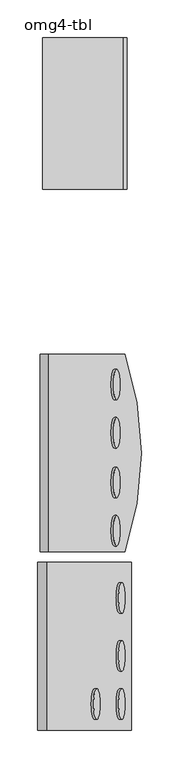
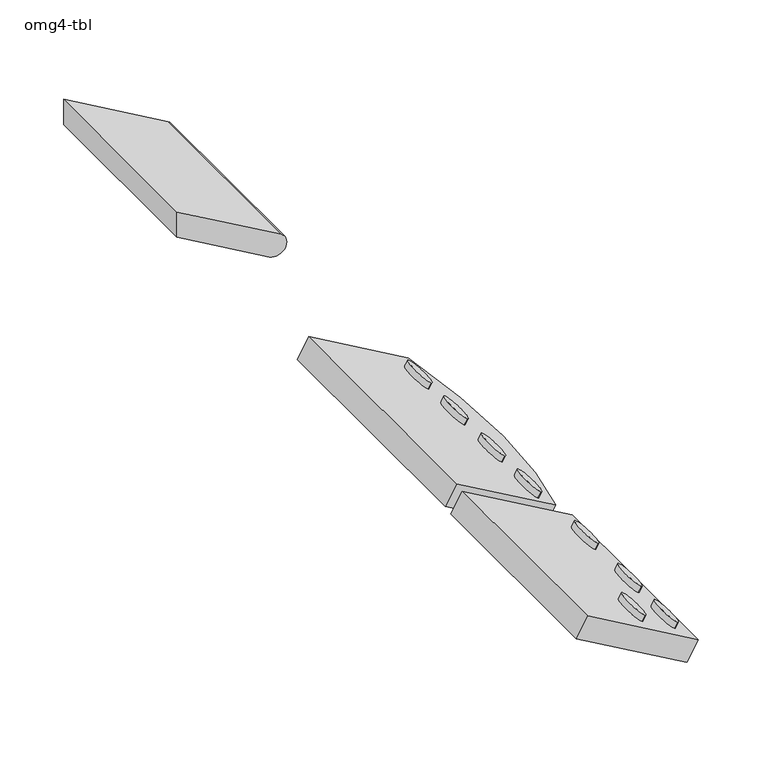
"""IFC4 building model written with IfcOpenShell, lengths in millimetres: proxy geometry, omg4-tbl."""

import ifcopenshell
import ifcopenshell.guid

model = None  # the IFC model being written
_history = None  # IfcOwnerHistory: only IFC2X3 demands one
_inside = {}  # id of a spatial element -> (the spatial element, [elements in it])
_under = {}  # id of a project, library or spatial element -> (it, [spatial elements below it])
_declared = {}  # id of a project -> (the project, [libraries it declares])
_typed = {}  # id of a type object -> (the type object, [elements of that type])
_made_of = {}  # id of a material, layer set ... -> (it, [elements and type objects made of it])


def new_model(schema):
    """Start an empty IFC model of exactly this schema.

    Asked for "IFC4X3", IfcOpenShell would pick the latest addendum, in which some entities
    have other attributes; the version numbers below select the first issue.
    IFC2X3 requires an IfcOwnerHistory on every rooted entity: one is made here for all.
    """
    global model, _history
    if schema == "IFC4X3":
        model = ifcopenshell.file(schema_version=(4, 3, 0, 0))
    else:
        model = ifcopenshell.file(schema=schema)
    _inside.clear()
    _under.clear()
    _declared.clear()
    _typed.clear()
    _made_of.clear()
    _history = None
    if model.schema == "IFC2X3":
        org = make("IfcOrganization", Name="unknown")
        user = make(
            "IfcPersonAndOrganization",
            ThePerson=make("IfcPerson", FamilyName="unknown"),
            TheOrganization=org,
        )
        app = make(
            "IfcApplication",
            ApplicationDeveloper=org,
            Version="unknown",
            ApplicationFullName="unknown",
            ApplicationIdentifier="unknown",
        )
        _history = make(
            "IfcOwnerHistory",
            OwningUser=user,
            OwningApplication=app,
            ChangeAction="ADDED",
            CreationDate=0,
        )
    return model


def make(cls, **values):
    """One entity of the class cls with the attributes given. An attribute that is None is left unset."""
    return model.create_entity(
        cls, **{name: value for name, value in values.items() if value is not None}
    )


def rooted(cls, **values):
    """An entity with a GlobalId (a new one), such as an element, a storey or a relation."""
    return make(cls, GlobalId=ifcopenshell.guid.new(), OwnerHistory=_history, **values)


def si_unit(unit_type, name, prefix=None):
    """IfcSIUnit, for example si_unit("LENGTHUNIT", "METRE", prefix="MILLI")."""
    return make("IfcSIUnit", UnitType=unit_type, Prefix=prefix, Name=name)


def assignment(units):
    """IfcUnitAssignment: the units of a project."""
    return None if units is None else make("IfcUnitAssignment", Units=units)


def point(xyz):
    """IfcCartesianPoint."""
    return None if xyz is None else make("IfcCartesianPoint", Coordinates=xyz)


def direction(xyz):
    """IfcDirection."""
    return None if xyz is None else make("IfcDirection", DirectionRatios=xyz)


def frame(location, z_axis=None, x_axis=None):
    """IfcAxis2Placement3D, a coordinate frame: its origin and axes. An axis left out is left unset."""
    return make(
        "IfcAxis2Placement3D",
        Location=point(location),
        Axis=direction(z_axis),
        RefDirection=direction(x_axis),
    )


def frame_2d(location, x_axis=None):
    """IfcAxis2Placement2D, a coordinate frame in the plane: its origin and x axis."""
    return make(
        "IfcAxis2Placement2D", Location=point(location), RefDirection=direction(x_axis)
    )


def origin():
    """The frame at (0, 0, 0) with its axes left unset."""
    return frame((0.0, 0.0, 0.0))


def place(relative_to, where):
    """IfcLocalPlacement: puts the frame where relative to a parent placement (None: the world)."""
    return make(
        "IfcLocalPlacement", PlacementRelTo=relative_to, RelativePlacement=where
    )


def context(
    kind, dimensions, precision=None, world=None, true_north=None, identifier=None
):
    """IfcGeometricRepresentationContext, for example the 3D "Model" context."""
    return make(
        "IfcGeometricRepresentationContext",
        ContextIdentifier=identifier,
        ContextType=kind,
        CoordinateSpaceDimension=dimensions,
        Precision=precision,
        WorldCoordinateSystem=world,
        TrueNorth=true_north,
    )


def project(units=None, contexts=None):
    """IfcProject with its units and contexts."""
    return rooted(
        "IfcProject",
        Name="project",
        RepresentationContexts=contexts,
        UnitsInContext=assignment(units),
    )


def spatial(cls, under=None, at=None, **own):
    """A site, building, storey or space (cls), placed at a placement, below another one or the project."""
    s = rooted(cls, ObjectPlacement=at, **own)
    if under is not None:
        _under.setdefault(under.id(), (under, []))[1].append(s)
    return s


def polyline(points):
    """IfcPolyline through the points."""
    return make("IfcPolyline", Points=[point(p) for p in points])


def circle_curve(where, radius):
    """IfcCircle in the frame where."""
    return make("IfcCircle", Position=where, Radius=radius)


def ellipse_curve(where, semi_axis1, semi_axis2):
    """IfcEllipse in the frame where."""
    return make(
        "IfcEllipse", Position=where, SemiAxis1=semi_axis1, SemiAxis2=semi_axis2
    )


def trimmed(basis, trim1, trim2, sense, master):
    """IfcTrimmedCurve: the piece of a basis curve between two trims."""
    return make(
        "IfcTrimmedCurve",
        BasisCurve=basis,
        Trim1=trim1,
        Trim2=trim2,
        SenseAgreement=sense,
        MasterRepresentation=master,
    )


def segment(curve, same_sense, transition):
    """IfcCompositeCurveSegment."""
    return make(
        "IfcCompositeCurveSegment",
        Transition=transition,
        SameSense=same_sense,
        ParentCurve=curve,
    )


def composite_curve(segments, self_intersect=None):
    """IfcCompositeCurve: segments joined end to end."""
    return make("IfcCompositeCurve", Segments=segments, SelfIntersect=self_intersect)


def outline(outer, holes=None, kind="AREA"):
    """IfcArbitraryClosedProfileDef: a profile drawn as a closed curve; with holes, ...WithVoids."""
    if holes is None:
        return make("IfcArbitraryClosedProfileDef", ProfileType=kind, OuterCurve=outer)
    return make(
        "IfcArbitraryProfileDefWithVoids",
        ProfileType=kind,
        OuterCurve=outer,
        InnerCurves=holes,
    )


def extrude(swept, where, along, depth):
    """IfcExtrudedAreaSolid: the profile swept, set in the frame where, extruded along a direction by depth."""
    return make(
        "IfcExtrudedAreaSolid",
        SweptArea=swept,
        Position=where,
        ExtrudedDirection=direction(along),
        Depth=depth,
    )


def shape(context_of_items, identifier, shape_type, items):
    """IfcShapeRepresentation: the items that make up one representation, for example the "Body"."""
    return make(
        "IfcShapeRepresentation",
        ContextOfItems=context_of_items,
        RepresentationIdentifier=identifier,
        RepresentationType=shape_type,
        Items=items,
    )


def source(mapping_origin, context_of_items, identifier, shape_type, items):
    """IfcRepresentationMap: a shape defined once, which mapped items show again and again."""
    return make(
        "IfcRepresentationMap",
        MappingOrigin=mapping_origin,
        MappedRepresentation=shape(context_of_items, identifier, shape_type, items),
    )


def transform(
    local_origin,
    x_axis=None,
    y_axis=None,
    z_axis=None,
    scale=None,
    scale2=None,
    scale3=None,
    uniform=True,
):
    """IfcCartesianTransformationOperator3D, or its non-uniform kind. x_axis, y_axis, z_axis: its Axis1, 2, 3."""
    if uniform:
        return make(
            "IfcCartesianTransformationOperator3D",
            Axis1=direction(x_axis),
            Axis2=direction(y_axis),
            LocalOrigin=point(local_origin),
            Scale=scale,
            Axis3=direction(z_axis),
        )
    return make(
        "IfcCartesianTransformationOperator3DnonUniform",
        Axis1=direction(x_axis),
        Axis2=direction(y_axis),
        LocalOrigin=point(local_origin),
        Scale=scale,
        Axis3=direction(z_axis),
        Scale2=scale2,
        Scale3=scale3,
    )


def mapped(mapping_source, mapping_target):
    """IfcMappedItem: shows the shape of a source again, moved by a transform."""
    return make(
        "IfcMappedItem", MappingSource=mapping_source, MappingTarget=mapping_target
    )


def made_of(thing, what):
    """Note that an element or type object is made of a material, layer set ...; save() writes the relation."""
    if what is not None:
        _made_of.setdefault(what.id(), (what, []))[1].append(thing)
    return thing


def element(
    cls,
    number,
    at=None,
    inside=None,
    cuts=None,
    type_object=None,
    material=None,
    context=None,
    identifier="Body",
    shape_type=None,
    held_by="IfcProductDefinitionShape",
    body=None,
    shapes=None,
    **own,
):
    """One element of the class cls, such as IfcWall. Its Tag is "e" and its number.

    at: its placement. inside: the storey or other place that contains it. cuts: it is an
    opening in that element (IfcRelVoidsElement). A single representation is given by context,
    identifier, shape_type and body (its items); several are given by shapes. held_by: the class
    of the entity that holds the representations. save() writes the other relations.
    """
    e = rooted(cls, Tag="e%d" % number, ObjectPlacement=at, **own)
    if body is not None:
        shapes = [shape(context, identifier, shape_type, body)]
    if shapes is not None:
        e.Representation = make(held_by, Representations=shapes)
    if inside is not None:
        _inside.setdefault(inside.id(), (inside, []))[1].append(e)
    if cuts is not None:
        rooted(
            "IfcRelVoidsElement", RelatingBuildingElement=cuts, RelatedOpeningElement=e
        )
    if type_object is not None:
        _typed.setdefault(type_object.id(), (type_object, []))[1].append(e)
    return made_of(e, material)


def aggregate(whole, parts):
    """IfcRelAggregates: a whole, such as a stair, and the parts it consists of."""
    return rooted("IfcRelAggregates", RelatingObject=whole, RelatedObjects=parts)


def save(model, path):
    """Write the relations noted so far, then the file.

    IfcRelAggregates (storeys below a building ...), IfcRelContainedInSpatialStructure (elements
    in a storey), IfcRelDefinesByType, IfcRelAssociatesMaterial and IfcRelDeclares: one each for
    every whole, place, type object, material and project.
    """
    for whole, parts in _under.values():
        aggregate(whole, parts)
    for where, things in _inside.values():
        rooted(
            "IfcRelContainedInSpatialStructure",
            RelatedElements=things,
            RelatingStructure=where,
        )
    for kind, things in _typed.values():
        rooted("IfcRelDefinesByType", RelatedObjects=things, RelatingType=kind)
    for what, things in _made_of.values():
        rooted("IfcRelAssociatesMaterial", RelatedObjects=things, RelatingMaterial=what)
    for by, libraries in _declared.values():
        rooted("IfcRelDeclares", RelatingContext=by, RelatedDefinitions=libraries)
    model.write(path)


def plane_surface(at):
    """IfcPlane: the flat surface through the origin of the frame at, square to its z axis."""
    return make("IfcPlane", Position=at)


def extruded_surface(curve, direction_of_extrusion, depth):
    """IfcSurfaceOfLinearExtrusion: the curve pushed along a direction by depth."""
    return make(
        "IfcSurfaceOfLinearExtrusion",
        SweptCurve=make("IfcArbitraryOpenProfileDef", ProfileType="CURVE", Curve=curve),
        ExtrudedDirection=direction(direction_of_extrusion),
        Depth=depth,
    )


def advanced_brep(points, edges, surfaces, faces):
    """IfcAdvancedBrep: a solid bounded by faces that lie on surfaces and meet in shared edges.

    An edge is (start, end): straight between two places in points (the first is 0);
    or (start, end, curve); or (start, end, curve, False) where it runs against its curve.
    A face is (place in surfaces, loops), or (place, loops, False) where it looks against
    its surface's normal. A loop lists edges by number (the first is 1), with a minus sign
    where the edge is run from its end to its start. The first loop is the outer one.
    """
    corners = [point(p) for p in points]
    vertices = [make("IfcVertexPoint", VertexGeometry=c) for c in corners]
    made = []
    for start, end, *more in edges:
        made.append(
            make(
                "IfcEdgeCurve",
                EdgeStart=vertices[start],
                EdgeEnd=vertices[end],
                EdgeGeometry=more[0] if more else make("IfcPolyline", Points=[corners[start], corners[end]]),
                SameSense=more[1] if len(more) > 1 else True,
            )
        )
    hull = []
    for where, loops, *sense in faces:
        bounds = []
        for j, loop in enumerate(loops):
            ring = [make("IfcOrientedEdge", EdgeElement=made[abs(k) - 1], Orientation=k > 0) for k in loop]
            bounds.append(
                make(
                    "IfcFaceOuterBound" if j == 0 else "IfcFaceBound",
                    Bound=make("IfcEdgeLoop", EdgeList=ring),
                    Orientation=True,
                )
            )
        hull.append(make("IfcAdvancedFace", Bounds=bounds, FaceSurface=surfaces[where], SameSense=sense[0] if sense else True))
    return make("IfcAdvancedBrep", Outer=make("IfcClosedShell", CfsFaces=hull))


def omg4_tbl_a6c52747(model_context):
    return source(origin(), model_context, "Body", "SolidModel", [
        advanced_brep(
        [(420.3072295, 1527.35453, 886.2318701), (420.3072295, 1487.0109304, 886.2318701), (423.4822295, 1527.35453, 891.7311314), (423.4822295, 1487.0109304, 891.7311314)],
        [
            (0, 1, ellipse_curve(frame((420.3072295, 1507.1827302, 886.2318701), z_axis=(-0.4999999999999973, 0.0, -0.8660254037844403), x_axis=(0.0, -1.0, 0.0)), 20.1717998, 4.9609375)),
            (1, 0, ellipse_curve(frame((420.3072295, 1507.1827302, 886.2318701), z_axis=(-0.4999999999999973, 0.0, -0.8660254037844403), x_axis=(0.0, -1.0, 0.0)), 20.1717998, 4.9609375)),
            (2, 3, ellipse_curve(frame((423.4822295, 1507.1827302, 891.7311314), z_axis=(0.4999999999999973, 0.0, 0.8660254037844403), x_axis=(0.0, -1.0, 0.0)), 20.1717998, 4.9609375)),
            (3, 2, ellipse_curve(frame((423.4822295, 1507.1827302, 891.7311314), z_axis=(0.4999999999999973, 0.0, 0.8660254037844403), x_axis=(0.0, -1.0, 0.0)), 20.1717998, 4.9609375)),
            (0, 2),
            (3, 1),
        ],
        [
            plane_surface(frame((420.3072295, 1487.0109304, 886.2318701), z_axis=(-0.4999999999999998, 0.0, -0.8660254037844388), x_axis=(-0.8660254037844388, 0.0, 0.4999999999999998))),
            plane_surface(frame((423.4822295, 1487.0109304, 891.7311314), z_axis=(0.4999999999999998, 0.0, 0.8660254037844388), x_axis=(0.8660254037844388, 0.0, -0.4999999999999998))),
            extruded_surface(trimmed(ellipse_curve(frame((426.6572295, 1507.1827302, 897.2303927), z_axis=(-0.4999999999999973, 0.0, -0.8660254037844403), x_axis=(0.0, -1.0, 0.0)), 20.1717998, 4.9609375), [point((426.6572295, 1527.35453, 897.2303927))], [point((426.6572295, 1487.0109304, 897.2303927))], True, "CARTESIAN"), (-3.1750000000000114, 0.0, -5.499261300000057), 6.349999987848692),
            extruded_surface(trimmed(ellipse_curve(frame((426.6572295, 1507.1827302, 897.2303927), z_axis=(-0.4999999999999973, 0.0, -0.8660254037844403), x_axis=(0.0, -1.0, 0.0)), 20.1717998, 4.9609375), [point((426.6572295, 1487.0109304, 897.2303927))], [point((426.6572295, 1527.35453, 897.2303927))], True, "CARTESIAN"), (-3.1750000000000114, 0.0, -5.499261300000057), 6.349999987848692),
        ],
        [
            (0, [[1, 2]]),
            (1, [[3, 4]]),
            (2, [[-1, 5, -4, 6]]),
            (3, [[-2, -6, -3, -5]]),
        ],
    ),
        advanced_brep(
        [(453.3027974, 1527.35453, 867.1818701), (453.3027974, 1487.0109304, 867.1818701), (456.4777974, 1527.35453, 872.6811314), (456.4777974, 1487.0109304, 872.6811314)],
        [
            (0, 1, ellipse_curve(frame((453.3027974, 1507.1827302, 867.1818701), z_axis=(-0.4999999999999973, 0.0, -0.8660254037844403), x_axis=(0.0, -1.0, 0.0)), 20.1717998, 4.9609375)),
            (1, 0, ellipse_curve(frame((453.3027974, 1507.1827302, 867.1818701), z_axis=(-0.4999999999999973, 0.0, -0.8660254037844403), x_axis=(0.0, -1.0, 0.0)), 20.1717998, 4.9609375)),
            (2, 3, ellipse_curve(frame((456.4777974, 1507.1827302, 872.6811314), z_axis=(0.4999999999999973, 0.0, 0.8660254037844403), x_axis=(0.0, -1.0, 0.0)), 20.1717998, 4.9609375)),
            (3, 2, ellipse_curve(frame((456.4777974, 1507.1827302, 872.6811314), z_axis=(0.4999999999999973, 0.0, 0.8660254037844403), x_axis=(0.0, -1.0, 0.0)), 20.1717998, 4.9609375)),
            (0, 2),
            (3, 1),
        ],
        [
            plane_surface(frame((453.3027974, 1487.0109304, 867.1818701), z_axis=(-0.4999999999999998, 0.0, -0.8660254037844388), x_axis=(-0.8660254037844388, 0.0, 0.4999999999999998))),
            plane_surface(frame((456.4777974, 1487.0109304, 872.6811314), z_axis=(0.4999999999999998, 0.0, 0.8660254037844388), x_axis=(0.8660254037844388, 0.0, -0.4999999999999998))),
            extruded_surface(trimmed(ellipse_curve(frame((459.6527974, 1507.1827302, 878.1803927), z_axis=(-0.4999999999999973, 0.0, -0.8660254037844403), x_axis=(0.0, -1.0, 0.0)), 20.1717998, 4.9609375), [point((459.6527974, 1527.35453, 878.1803927))], [point((459.6527974, 1487.0109304, 878.1803927))], True, "CARTESIAN"), (-3.1750000000000114, 0.0, -5.499261299999944), 6.3499999878485935),
            extruded_surface(trimmed(ellipse_curve(frame((459.6527974, 1507.1827302, 878.1803927), z_axis=(-0.4999999999999973, 0.0, -0.8660254037844403), x_axis=(0.0, -1.0, 0.0)), 20.1717998, 4.9609375), [point((459.6527974, 1487.0109304, 878.1803927))], [point((459.6527974, 1527.35453, 878.1803927))], True, "CARTESIAN"), (-3.1750000000000114, 0.0, -5.499261299999944), 6.3499999878485935),
        ],
        [
            (0, [[1, 2]]),
            (1, [[3, 4]]),
            (2, [[-1, 5, -4, 6]]),
            (3, [[-2, -6, -3, -5]]),
        ],
    ),
        advanced_brep(
        [(453.3027974, 1590.85453, 867.1818701), (453.3027974, 1550.5109304, 867.1818701), (456.4777974, 1590.85453, 872.6811314), (456.4777974, 1550.5109304, 872.6811314)],
        [
            (0, 1, ellipse_curve(frame((453.3027974, 1570.6827302, 867.1818701), z_axis=(-0.4999999999999973, 0.0, -0.8660254037844403), x_axis=(0.0, -1.0, 0.0)), 20.1717998, 4.9609375)),
            (1, 0, ellipse_curve(frame((453.3027974, 1570.6827302, 867.1818701), z_axis=(-0.4999999999999973, 0.0, -0.8660254037844403), x_axis=(0.0, -1.0, 0.0)), 20.1717998, 4.9609375)),
            (2, 3, ellipse_curve(frame((456.4777974, 1570.6827302, 872.6811314), z_axis=(0.4999999999999973, 0.0, 0.8660254037844403), x_axis=(0.0, -1.0, 0.0)), 20.1717998, 4.9609375)),
            (3, 2, ellipse_curve(frame((456.4777974, 1570.6827302, 872.6811314), z_axis=(0.4999999999999973, 0.0, 0.8660254037844403), x_axis=(0.0, -1.0, 0.0)), 20.1717998, 4.9609375)),
            (0, 2),
            (3, 1),
        ],
        [
            plane_surface(frame((453.3027974, 1550.5109304, 867.1818701), z_axis=(-0.4999999999999998, 0.0, -0.8660254037844388), x_axis=(-0.8660254037844388, 0.0, 0.4999999999999998))),
            plane_surface(frame((456.4777974, 1550.5109304, 872.6811314), z_axis=(0.4999999999999998, 0.0, 0.8660254037844388), x_axis=(0.8660254037844388, 0.0, -0.4999999999999998))),
            extruded_surface(trimmed(ellipse_curve(frame((459.6527974, 1570.6827302, 878.1803927), z_axis=(-0.4999999999999973, 0.0, -0.8660254037844403), x_axis=(0.0, -1.0, 0.0)), 20.1717998, 4.9609375), [point((459.6527974, 1590.85453, 878.1803927))], [point((459.6527974, 1550.5109304, 878.1803927))], True, "CARTESIAN"), (-3.1750000000000114, 0.0, -5.499261299999944), 6.3499999878485935),
            extruded_surface(trimmed(ellipse_curve(frame((459.6527974, 1570.6827302, 878.1803927), z_axis=(-0.4999999999999973, 0.0, -0.8660254037844403), x_axis=(0.0, -1.0, 0.0)), 20.1717998, 4.9609375), [point((459.6527974, 1550.5109304, 878.1803927))], [point((459.6527974, 1590.85453, 878.1803927))], True, "CARTESIAN"), (-3.1750000000000114, 0.0, -5.499261299999944), 6.3499999878485935),
        ],
        [
            (0, [[1, 2]]),
            (1, [[3, 4]]),
            (2, [[-1, 5, -4, 6]]),
            (3, [[-2, -6, -3, -5]]),
        ],
    ),
        advanced_brep(
        [(453.3027974, 1667.05453, 867.1818701), (453.3027974, 1626.7109304, 867.1818701), (456.4777974, 1667.05453, 872.6811314), (456.4777974, 1626.7109304, 872.6811314)],
        [
            (0, 1, ellipse_curve(frame((453.3027974, 1646.8827302, 867.1818701), z_axis=(-0.4999999999999973, 0.0, -0.8660254037844403), x_axis=(0.0, -1.0, 0.0)), 20.1717998, 4.9609375)),
            (1, 0, ellipse_curve(frame((453.3027974, 1646.8827302, 867.1818701), z_axis=(-0.4999999999999973, 0.0, -0.8660254037844403), x_axis=(0.0, -1.0, 0.0)), 20.1717998, 4.9609375)),
            (2, 3, ellipse_curve(frame((456.4777974, 1646.8827302, 872.6811314), z_axis=(0.4999999999999973, 0.0, 0.8660254037844403), x_axis=(0.0, -1.0, 0.0)), 20.1717998, 4.9609375)),
            (3, 2, ellipse_curve(frame((456.4777974, 1646.8827302, 872.6811314), z_axis=(0.4999999999999973, 0.0, 0.8660254037844403), x_axis=(0.0, -1.0, 0.0)), 20.1717998, 4.9609375)),
            (0, 2),
            (3, 1),
        ],
        [
            plane_surface(frame((453.3027974, 1626.7109304, 867.1818701), z_axis=(-0.4999999999999998, 0.0, -0.8660254037844388), x_axis=(-0.8660254037844388, 0.0, 0.4999999999999998))),
            plane_surface(frame((456.4777974, 1626.7109304, 872.6811314), z_axis=(0.4999999999999998, 0.0, 0.8660254037844388), x_axis=(0.8660254037844388, 0.0, -0.4999999999999998))),
            extruded_surface(trimmed(ellipse_curve(frame((459.6527974, 1646.8827302, 878.1803927), z_axis=(-0.4999999999999973, 0.0, -0.8660254037844403), x_axis=(0.0, -1.0, 0.0)), 20.1717998, 4.9609375), [point((459.6527974, 1667.05453, 878.1803927))], [point((459.6527974, 1626.7109304, 878.1803927))], True, "CARTESIAN"), (-3.1750000000000114, 0.0, -5.499261299999944), 6.3499999878485935),
            extruded_surface(trimmed(ellipse_curve(frame((459.6527974, 1646.8827302, 878.1803927), z_axis=(-0.4999999999999973, 0.0, -0.8660254037844403), x_axis=(0.0, -1.0, 0.0)), 20.1717998, 4.9609375), [point((459.6527974, 1626.7109304, 878.1803927))], [point((459.6527974, 1667.05453, 878.1803927))], True, "CARTESIAN"), (-3.1750000000000114, 0.0, -5.499261299999944), 6.3499999878485935),
        ],
        [
            (0, [[1, 2]]),
            (1, [[3, 4]]),
            (2, [[-1, 5, -4, 6]]),
            (3, [[-2, -6, -3, -5]]),
        ],
    ),
        advanced_brep(
        [(446.5927066, 1819.1162387, 871.0559428), (446.5927066, 1778.7726391, 871.0559428), (449.7677066, 1819.1162387, 876.5552041), (449.7677066, 1778.7726391, 876.5552041)],
        [
            (0, 1, ellipse_curve(frame((446.5927066, 1798.9444389, 871.0559428), z_axis=(-0.4999999999999973, 0.0, -0.8660254037844403), x_axis=(0.0, -1.0, 0.0)), 20.1717998, 4.9609375)),
            (1, 0, ellipse_curve(frame((446.5927066, 1798.9444389, 871.0559428), z_axis=(-0.4999999999999973, 0.0, -0.8660254037844403), x_axis=(0.0, -1.0, 0.0)), 20.1717998, 4.9609375)),
            (2, 3, ellipse_curve(frame((449.7677066, 1798.9444389, 876.5552041), z_axis=(0.4999999999999973, 0.0, 0.8660254037844403), x_axis=(0.0, -1.0, 0.0)), 20.1717998, 4.9609375)),
            (3, 2, ellipse_curve(frame((449.7677066, 1798.9444389, 876.5552041), z_axis=(0.4999999999999973, 0.0, 0.8660254037844403), x_axis=(0.0, -1.0, 0.0)), 20.1717998, 4.9609375)),
            (0, 2),
            (3, 1),
        ],
        [
            plane_surface(frame((446.5927066, 1778.7726391, 871.0559428), z_axis=(-0.4999999999999998, 0.0, -0.8660254037844388), x_axis=(-0.8660254037844388, 0.0, 0.4999999999999998))),
            plane_surface(frame((449.7677066, 1778.7726391, 876.5552041), z_axis=(0.4999999999999998, 0.0, 0.8660254037844388), x_axis=(0.8660254037844388, 0.0, -0.4999999999999998))),
            extruded_surface(trimmed(ellipse_curve(frame((452.9427066, 1798.9444389, 882.0544654), z_axis=(-0.4999999999999973, 0.0, -0.8660254037844403), x_axis=(0.0, -1.0, 0.0)), 20.1717998, 4.9609375), [point((452.9427066, 1819.1162387, 882.0544654))], [point((452.9427066, 1778.7726391, 882.0544654))], True, "CARTESIAN"), (-3.1750000000000114, 0.0, -5.499261300000057), 6.349999987848692),
            extruded_surface(trimmed(ellipse_curve(frame((452.9427066, 1798.9444389, 882.0544654), z_axis=(-0.4999999999999973, 0.0, -0.8660254037844403), x_axis=(0.0, -1.0, 0.0)), 20.1717998, 4.9609375), [point((452.9427066, 1778.7726391, 882.0544654))], [point((452.9427066, 1819.1162387, 882.0544654))], True, "CARTESIAN"), (-3.1750000000000114, 0.0, -5.499261300000057), 6.349999987848692),
        ],
        [
            (0, [[1, 2]]),
            (1, [[3, 4]]),
            (2, [[-1, 5, -4, 6]]),
            (3, [[-2, -6, -3, -5]]),
        ],
    ),
        advanced_brep(
        [(446.5927066, 1755.6162387, 871.0559428), (446.5927066, 1715.2726391, 871.0559428), (449.7677066, 1755.6162387, 876.5552041), (449.7677066, 1715.2726391, 876.5552041)],
        [
            (0, 1, ellipse_curve(frame((446.5927066, 1735.4444389, 871.0559428), z_axis=(-0.4999999999999973, 0.0, -0.8660254037844403), x_axis=(0.0, -1.0, 0.0)), 20.1717998, 4.9609375)),
            (1, 0, ellipse_curve(frame((446.5927066, 1735.4444389, 871.0559428), z_axis=(-0.4999999999999973, 0.0, -0.8660254037844403), x_axis=(0.0, -1.0, 0.0)), 20.1717998, 4.9609375)),
            (2, 3, ellipse_curve(frame((449.7677066, 1735.4444389, 876.5552041), z_axis=(0.4999999999999973, 0.0, 0.8660254037844403), x_axis=(0.0, -1.0, 0.0)), 20.1717998, 4.9609375)),
            (3, 2, ellipse_curve(frame((449.7677066, 1735.4444389, 876.5552041), z_axis=(0.4999999999999973, 0.0, 0.8660254037844403), x_axis=(0.0, -1.0, 0.0)), 20.1717998, 4.9609375)),
            (0, 2),
            (3, 1),
        ],
        [
            plane_surface(frame((446.5927066, 1715.2726391, 871.0559428), z_axis=(-0.4999999999999998, 0.0, -0.8660254037844388), x_axis=(-0.8660254037844388, 0.0, 0.4999999999999998))),
            plane_surface(frame((449.7677066, 1715.2726391, 876.5552041), z_axis=(0.4999999999999998, 0.0, 0.8660254037844388), x_axis=(0.8660254037844388, 0.0, -0.4999999999999998))),
            extruded_surface(trimmed(ellipse_curve(frame((452.9427066, 1735.4444389, 882.0544654), z_axis=(-0.4999999999999973, 0.0, -0.8660254037844403), x_axis=(0.0, -1.0, 0.0)), 20.1717998, 4.9609375), [point((452.9427066, 1755.6162387, 882.0544654))], [point((452.9427066, 1715.2726391, 882.0544654))], True, "CARTESIAN"), (-3.1750000000000114, 0.0, -5.499261300000057), 6.349999987848692),
            extruded_surface(trimmed(ellipse_curve(frame((452.9427066, 1735.4444389, 882.0544654), z_axis=(-0.4999999999999973, 0.0, -0.8660254037844403), x_axis=(0.0, -1.0, 0.0)), 20.1717998, 4.9609375), [point((452.9427066, 1715.2726391, 882.0544654))], [point((452.9427066, 1755.6162387, 882.0544654))], True, "CARTESIAN"), (-3.1750000000000114, 0.0, -5.499261300000057), 6.349999987848692),
        ],
        [
            (0, [[1, 2]]),
            (1, [[3, 4]]),
            (2, [[-1, 5, -4, 6]]),
            (3, [[-2, -6, -3, -5]]),
        ],
    ),
        advanced_brep(
        [(446.5927066, 1844.3123829, 871.0559428), (446.5927066, 1884.6559825, 871.0559428), (449.7677066, 1844.3123829, 876.5552041), (449.7677066, 1884.6559825, 876.5552041)],
        [
            (0, 1, ellipse_curve(frame((446.5927066, 1864.4841827, 871.0559428), z_axis=(-0.4999999999999973, 0.0, -0.8660254037844403), x_axis=(0.0, 1.0, 0.0)), 20.1717998, 4.9609375)),
            (1, 0, ellipse_curve(frame((446.5927066, 1864.4841827, 871.0559428), z_axis=(-0.4999999999999973, 0.0, -0.8660254037844403), x_axis=(0.0, 1.0, 0.0)), 20.1717998, 4.9609375)),
            (2, 3, ellipse_curve(frame((449.7677066, 1864.4841827, 876.5552041), z_axis=(0.4999999999999973, 0.0, 0.8660254037844403), x_axis=(0.0, 1.0, 0.0)), 20.1717998, 4.9609375)),
            (3, 2, ellipse_curve(frame((449.7677066, 1864.4841827, 876.5552041), z_axis=(0.4999999999999973, 0.0, 0.8660254037844403), x_axis=(0.0, 1.0, 0.0)), 20.1717998, 4.9609375)),
            (1, 3),
            (2, 0),
        ],
        [
            plane_surface(frame((446.5927066, 1884.6559825, 871.0559428), z_axis=(-0.4999999999999998, 0.0, -0.8660254037844388), x_axis=(0.8660254037844388, 0.0, -0.4999999999999998))),
            plane_surface(frame((449.7677066, 1884.6559825, 876.5552041), z_axis=(0.4999999999999998, 0.0, 0.8660254037844388), x_axis=(-0.8660254037844388, 0.0, 0.4999999999999998))),
            extruded_surface(trimmed(ellipse_curve(frame((452.9427066, 1864.4841827, 882.0544654), z_axis=(-0.4999999999999973, 0.0, -0.8660254037844403), x_axis=(0.0, 1.0, 0.0)), 20.1717998, 4.9609375), [point((452.9427066, 1884.6559825, 882.0544654))], [point((452.9427066, 1844.3123829, 882.0544654))], True, "CARTESIAN"), (-3.1750000000000114, 0.0, -5.499261300000057), 6.349999987848692),
            extruded_surface(trimmed(ellipse_curve(frame((452.9427066, 1864.4841827, 882.0544654), z_axis=(-0.4999999999999973, 0.0, -0.8660254037844403), x_axis=(0.0, 1.0, 0.0)), 20.1717998, 4.9609375), [point((452.9427066, 1844.3123829, 882.0544654))], [point((452.9427066, 1884.6559825, 882.0544654))], True, "CARTESIAN"), (-3.1750000000000114, 0.0, -5.499261300000057), 6.349999987848692),
        ],
        [
            (0, [[1, 2]]),
            (1, [[3, 4]]),
            (2, [[-2, 5, -3, 6]]),
            (3, [[-1, -6, -4, -5]]),
        ],
    ),
        advanced_brep(
        [(446.5927066, 1907.8123829, 871.0559428), (446.5927066, 1948.1559825, 871.0559428), (449.7677066, 1907.8123829, 876.5552041), (449.7677066, 1948.1559825, 876.5552041)],
        [
            (0, 1, ellipse_curve(frame((446.5927066, 1927.9841827, 871.0559428), z_axis=(-0.4999999999999973, 0.0, -0.8660254037844403), x_axis=(0.0, 1.0, 0.0)), 20.1717998, 4.9609375)),
            (1, 0, ellipse_curve(frame((446.5927066, 1927.9841827, 871.0559428), z_axis=(-0.4999999999999973, 0.0, -0.8660254037844403), x_axis=(0.0, 1.0, 0.0)), 20.1717998, 4.9609375)),
            (2, 3, ellipse_curve(frame((449.7677066, 1927.9841827, 876.5552041), z_axis=(0.4999999999999973, 0.0, 0.8660254037844403), x_axis=(0.0, 1.0, 0.0)), 20.1717998, 4.9609375)),
            (3, 2, ellipse_curve(frame((449.7677066, 1927.9841827, 876.5552041), z_axis=(0.4999999999999973, 0.0, 0.8660254037844403), x_axis=(0.0, 1.0, 0.0)), 20.1717998, 4.9609375)),
            (1, 3),
            (2, 0),
        ],
        [
            plane_surface(frame((446.5927066, 1948.1559825, 871.0559428), z_axis=(-0.4999999999999998, 0.0, -0.8660254037844388), x_axis=(0.8660254037844388, 0.0, -0.4999999999999998))),
            plane_surface(frame((449.7677066, 1948.1559825, 876.5552041), z_axis=(0.4999999999999998, 0.0, 0.8660254037844388), x_axis=(-0.8660254037844388, 0.0, 0.4999999999999998))),
            extruded_surface(trimmed(ellipse_curve(frame((452.9427066, 1927.9841827, 882.0544654), z_axis=(-0.4999999999999973, 0.0, -0.8660254037844403), x_axis=(0.0, 1.0, 0.0)), 20.1717998, 4.9609375), [point((452.9427066, 1948.1559825, 882.0544654))], [point((452.9427066, 1907.8123829, 882.0544654))], True, "CARTESIAN"), (-3.1750000000000114, 0.0, -5.499261300000057), 6.349999987848692),
            extruded_surface(trimmed(ellipse_curve(frame((452.9427066, 1927.9841827, 882.0544654), z_axis=(-0.4999999999999973, 0.0, -0.8660254037844403), x_axis=(0.0, 1.0, 0.0)), 20.1717998, 4.9609375), [point((452.9427066, 1907.8123829, 882.0544654))], [point((452.9427066, 1948.1559825, 882.0544654))], True, "CARTESIAN"), (-3.1750000000000114, 0.0, -5.499261300000057), 6.349999987848692),
        ],
        [
            (0, [[1, 2]]),
            (1, [[3, 4]]),
            (2, [[-2, 5, -3, 6]]),
            (3, [[-1, -6, -4, -5]]),
        ],
    ),
        extrude(outline(composite_curve([segment(polyline([(864.6304096, 457.7220566), (925.5106181, 352.2744423), (898.6161553, 352.2744423), (844.4595625, 446.0764126)]), True, "CONTINUOUS"), segment(trimmed(circle_curve(frame_2d((854.5449861, 451.8992346)), 11.645644), [point((844.4595625, 446.0764126))], [point((864.6304096, 457.7220566))], False, "CARTESIAN"), True, "CONTINUOUS")], self_intersect=False)), frame((0.0, 2185.456181, 0.0), z_axis=(0.0, 1.0, 0.0), x_axis=(0.0, 0.0, 1.0)), (0.0, 0.0, 1.0), 199.0410011),
        extrude(outline(composite_curve([segment(polyline([(167.5752143, 0.0), (167.5752143, -260.0), (51.1622154, -260.0)]), True, "CONTINUOUS"), segment(trimmed(circle_curve(frame_2d((381.3350181, -130.366152)), 354.7097604), [point((51.1622154, -260.0))], [point((51.4506739, 0.0))], False, "CARTESIAN"), True, "CONTINUOUS"), segment(polyline([(51.4506739, 0.0), (167.5752143, 0.0)]), True, "CONTINUOUS")], self_intersect=False)), frame((493.4852203, 1707.8437116, 817.0880746), z_axis=(0.4999999999999841, 0.0, 0.8660254037844478), x_axis=(-0.8660254037844478, 0.0, 0.4999999999999841)), (0.0, 0.0, 1.0), 23.291288),
        extrude(outline(polyline([(0.0, -128.9784104), (0.0, 0.0), (220.674979, 0.0), (220.674979, -128.9784104), (0.0, -128.9784104)])), frame((457.3636929, 1693.6142898, 837.9428482), z_axis=(0.49999999999999967, 0.0, 0.8660254037844388), x_axis=(0.0, -1.0, 0.0)), (0.0, 0.0, 1.0), 23.291288),
    ])


if __name__ == "__main__":
    model = new_model("IFC4")
    model_context = context("Model", 3, world=origin())
    ifc_project = project(units=[si_unit("LENGTHUNIT", "METRE", prefix="MILLI")], contexts=[model_context])
    site = spatial("IfcSite", under=ifc_project)
    building = spatial("IfcBuilding", under=site)
    placement = place(None, origin())
    omg4_tbl_shape = omg4_tbl_a6c52747(model_context)
    element("IfcBuildingElementProxy", 1, Name="omg4-tbl", ObjectType="omg4-tbl", at=placement, inside=building, context=model_context, shape_type="MappedRepresentation", body=[
        mapped(omg4_tbl_shape, transform((0.0, 0.0, 0.0), x_axis=(1.0, 0.0, 0.0), y_axis=(0.0, 1.0, 0.0), z_axis=(0.0, 0.0, 1.0))),
    ])
    save(model, "model.ifc")
